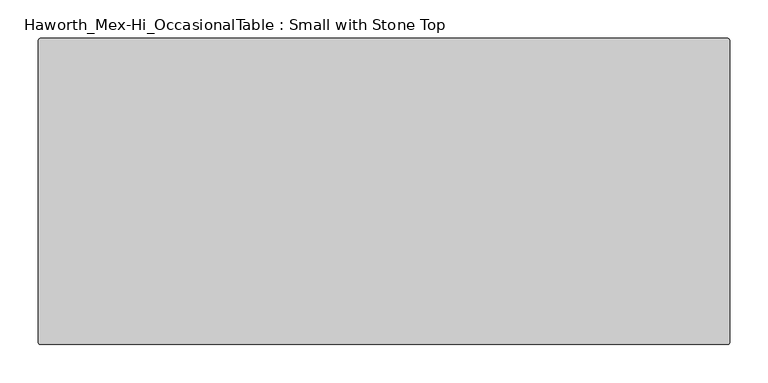
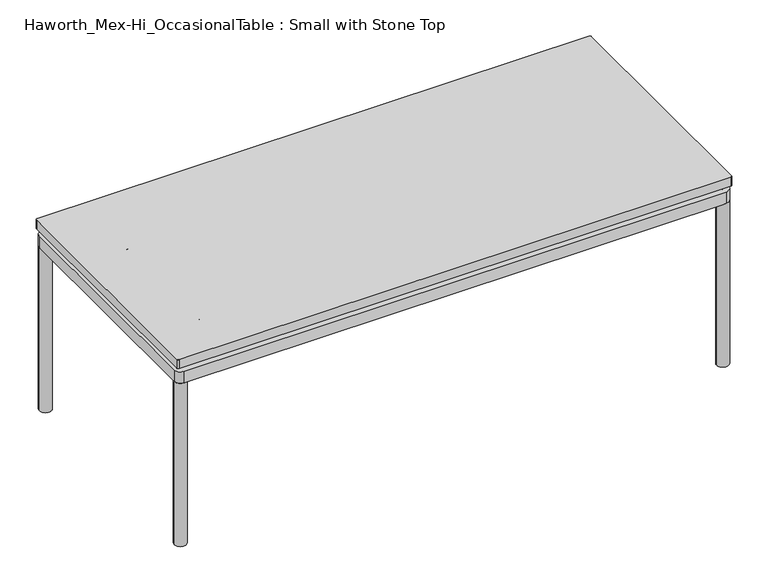
"""IFC4 building model written with IfcOpenShell, lengths in millimetres: furniture geometry, Haworth_Mex-Hi_OccasionalTable : Small with Stone Top."""

from ifc_helpers import new_model, si_unit, point, frame, frame_2d, origin, place, context, project, spatial, polyline, circle_curve, trimmed, segment, composite_curve, outline, extrude, source, transform, mapped, element, save
from ifc_brep_helpers import plane_surface, cylinder_surface, revolved_surface, advanced_brep


def haworth_mex_hi_occasionaltable_small_with_stone_top_e584b05a(model_context):
    return source(origin(), model_context, "Body", "SolidModel", [
        extrude(outline(composite_curve([segment(trimmed(circle_curve(frame_2d((291.5947118, -95.25)), 2.54), [point((291.5947118, -92.71))], [point((294.1347118, -95.25))], False, "CARTESIAN"), True, "CONTINUOUS"), segment(polyline([(294.1347118, -95.25), (294.1347118, -488.95)]), True, "CONTINUOUS"), segment(trimmed(circle_curve(frame_2d((291.5947118, -488.95)), 2.54), [point((294.1347118, -488.95))], [point((291.5947118, -491.49))], False, "CARTESIAN"), True, "CONTINUOUS"), segment(polyline([(291.5947118, -491.49), (-602.4852882, -491.49)]), True, "CONTINUOUS"), segment(trimmed(circle_curve(frame_2d((-602.4852882, -488.95)), 2.54), [point((-602.4852882, -491.49))], [point((-605.0252882, -488.95))], False, "CARTESIAN"), True, "CONTINUOUS"), segment(polyline([(-605.0252882, -488.95), (-605.0252882, -95.25)]), True, "CONTINUOUS"), segment(trimmed(circle_curve(frame_2d((-602.4852882, -95.25)), 2.54), [point((-605.0252882, -95.25))], [point((-602.4852882, -92.71))], False, "CARTESIAN"), True, "CONTINUOUS"), segment(polyline([(-602.4852882, -92.71), (291.5947118, -92.71)]), True, "CONTINUOUS")], self_intersect=False)), frame((0.0, 0.0, 307.0856929), z_axis=(0.0, 0.0, 1.0), x_axis=(1.0, 0.0, 0.0)), (0.0, 0.0, 1.0), 15.2403071),
        extrude(outline(composite_curve([segment(trimmed(circle_curve(frame_2d((-593.0838099, -104.6599879)), 1.9413078), [point((-595.0251177, -104.6599879))], [point((-593.0838099, -102.7186802))], False, "CARTESIAN"), True, "CONTINUOUS"), segment(polyline([(-593.0838099, -102.7186802), (282.1309315, -102.7186802)]), True, "CONTINUOUS"), segment(trimmed(circle_curve(frame_2d((282.1309315, -104.7258089)), 2.0071288), [point((282.1309315, -102.7186802))], [point((284.1380603, -104.7258089))], False, "CARTESIAN"), True, "CONTINUOUS"), segment(polyline([(284.1380603, -104.7258089), (284.1380603, -479.5002885)]), True, "CONTINUOUS"), segment(trimmed(circle_curve(frame_2d((282.1363356, -479.5002885)), 2.0017246), [point((284.1380603, -479.5002885))], [point((282.1363356, -481.5020131))], False, "CARTESIAN"), True, "CONTINUOUS"), segment(polyline([(282.1363356, -481.5020131), (-595.0251177, -481.5020131), (-595.0251177, -104.6599879)]), True, "CONTINUOUS")], self_intersect=False)), frame((0.0, 0.0, 299.6294223), z_axis=(0.0, 0.0, 1.0), x_axis=(1.0, 0.0, 0.0)), (0.0, 0.0, 1.0), 5.002811),
        advanced_brep(
        [(267.1276141, -117.6971264, 299.6294223), (-578.0202636, -117.6971264, 299.6294223), (-580.0466715, -119.7235343, 299.6294223), (-580.0466715, -464.4689461, 299.6294223), (-577.992051, -466.5235669, 299.6294223), (267.1579775, -466.5237486, 299.6294223), (269.1599045, -464.5218208, 299.6294223), (269.1596141, -119.7291258, 299.6294223), (-565.0231699, -451.5072233, 299.6294223), (-565.0231699, -132.7136516, 299.6294223), (-532.7626081, -132.7136631, 299.6294223), (-532.7626081, -451.5072042, 299.6294223), (-502.5025365, -132.7136738, 299.6294223), (182.0869602, -132.7139167, 299.6294223), (182.0869602, -451.5072042, 299.6294223), (-502.5025365, -451.5072039, 299.6294223), (254.1361125, -451.506969, 299.6294223), (212.3470318, -451.506982, 299.6294223), (212.3470318, -132.7136631, 299.6294223), (254.1358218, -132.7139423, 299.6294223), (267.1276141, -117.6971264, 279.6326959), (269.1596141, -119.7291258, 279.6326959), (269.1599045, -464.5218208, 279.6326959), (267.1579775, -466.5237486, 279.6326959), (-577.992051, -466.5235669, 279.6326959), (-580.0466715, -464.4689461, 279.6326959), (-580.0466715, -119.7235343, 279.6326959), (-578.0202636, -117.6971264, 279.6326959), (254.1361125, -451.506969, 279.6326959), (254.1358218, -132.7139423, 279.6326959), (212.3470318, -132.7139275, 279.6326959), (212.3470318, -451.5072042, 279.6326959), (-565.0231699, -451.5072233, 279.6326959), (-532.7626081, -451.5072133, 279.6326959), (-532.7626081, -132.7136631, 279.6326959), (-565.0231699, -132.7136516, 279.6326959), (182.0869602, -132.7139167, 279.6326959), (-502.5025365, -132.7136738, 279.6326959), (-502.5025365, -451.5072042, 279.6326959), (182.0869602, -451.5069914, 279.6326959)],
        [
            (0, 1),
            (1, 2, circle_curve(frame((-578.0202636, -119.7235343, 299.6294223), z_axis=(0.0, 0.0, 1.0), x_axis=(1.0, 0.0, 0.0)), 2.0264079)),
            (2, 3),
            (3, 4, circle_curve(frame((-577.9920507, -464.4689461, 299.6294223), z_axis=(0.0, 0.0, 1.0), x_axis=(1.0, 0.0, 0.0)), 2.0546208)),
            (4, 5),
            (5, 6, circle_curve(frame((267.1579772, -464.5218214, 299.6294223), z_axis=(0.0, 0.0, 1.0), x_axis=(1.0, 0.0, 0.0)), 2.0019272)),
            (6, 7),
            (7, 0, circle_curve(frame((267.1276141, -119.7291264, 299.6294223), z_axis=(0.0, 0.0, 1.0), x_axis=(1.0, 0.0, 0.0)), 2.032)),
            (8, 9),
            (9, 10),
            (10, 11),
            (11, 8),
            (12, 13),
            (13, 14),
            (14, 15),
            (15, 12),
            (16, 17),
            (17, 18),
            (18, 19),
            (19, 16),
            (20, 21, circle_curve(frame((267.1276141, -119.7291264, 279.6326959), z_axis=(0.0, 0.0, -1.0), x_axis=(1.0, 0.0, 0.0)), 2.032)),
            (21, 22),
            (22, 23, circle_curve(frame((267.1579772, -464.5218214, 279.6326959), z_axis=(0.0, 0.0, -1.0), x_axis=(1.0, 0.0, 0.0)), 2.0019272)),
            (23, 24),
            (24, 25, circle_curve(frame((-577.9920507, -464.4689461, 279.6326959), z_axis=(0.0, 0.0, -1.0), x_axis=(1.0, 0.0, 0.0)), 2.0546208)),
            (25, 26),
            (26, 27, circle_curve(frame((-578.0202636, -119.7235343, 279.6326959), z_axis=(0.0, 0.0, -1.0), x_axis=(1.0, 0.0, 0.0)), 2.0264079)),
            (27, 20),
            (28, 29),
            (29, 30),
            (30, 31),
            (31, 28),
            (32, 33),
            (33, 34),
            (34, 35),
            (35, 32),
            (36, 37),
            (37, 38),
            (38, 39),
            (39, 36),
            (0, 20),
            (27, 1),
            (26, 2),
            (25, 3),
            (24, 4),
            (23, 5),
            (22, 6),
            (21, 7),
            (8, 32),
            (35, 9),
            (12, 37),
            (36, 13),
            (34, 10),
            (29, 19),
            (18, 30),
            (28, 16),
            (14, 39),
            (38, 15),
            (11, 33),
            (31, 17),
        ],
        [
            plane_surface(frame((-578.0202636, -117.6971264, 299.6294223), z_axis=(0.0, 0.0, 1.0), x_axis=(-1.0, 0.0, 0.0))),
            plane_surface(frame((-578.0202636, -117.6971264, 279.6326959), z_axis=(0.0, 0.0, -1.0), x_axis=(1.0, 0.0, 0.0))),
            plane_surface(frame((267.1276141, -117.6971264, 299.6294223), z_axis=(0.0, 1.0, 0.0), x_axis=(0.0, 0.0, -1.0))),
            cylinder_surface(frame((-578.0202636, -119.7235343, 279.6326959), z_axis=(0.0, 0.0, 1.0), x_axis=(1.0, 0.0, 0.0)), 2.0264079),
            plane_surface(frame((-580.0466715, -119.7235343, 299.6294223), z_axis=(-1.0, 0.0, 0.0), x_axis=(0.0, 0.0, -1.0))),
            cylinder_surface(frame((-577.9920507, -464.4689461, 279.6326959), z_axis=(0.0, 0.0, 1.0), x_axis=(1.0, 0.0, 0.0)), 2.0546208),
            plane_surface(frame((-577.992051, -466.5235669, 299.6294223), z_axis=(-2.1495107938605697e-07, -0.9999999999999769, 0.0), x_axis=(0.0, 0.0, -1.0))),
            cylinder_surface(frame((267.1579772, -464.5218214, 279.6326959), z_axis=(0.0, 0.0, 1.0), x_axis=(1.0, 0.0, 0.0)), 2.0019272),
            plane_surface(frame((269.1599045, -464.5218208, 299.6294223), z_axis=(0.9999999999996454, 8.421789670458425e-07, 0.0), x_axis=(0.0, 0.0, -1.0))),
            cylinder_surface(frame((267.1276141, -119.7291264, 279.6326959), z_axis=(0.0, 0.0, 1.0), x_axis=(1.0, 0.0, 0.0)), 2.032),
            plane_surface(frame((-565.0231699, -451.5072233, 299.6294223), z_axis=(1.0, 0.0, 0.0), x_axis=(0.0, 0.0, -1.0))),
            plane_surface(frame((-565.0231699, -132.7136516, 299.6294223), z_axis=(-3.5485165641990404e-07, -0.999999999999937, 0.0), x_axis=(0.0, 0.0, -1.0))),
            plane_surface(frame((254.1358218, -132.7139423, 299.6294223), z_axis=(-0.9999999999995843, -9.118139700497618e-07, 0.0), x_axis=(0.0, 0.0, -1.0))),
            plane_surface(frame((254.1361125, -451.506969, 299.6294223), z_axis=(-3.104950969437019e-07, 0.9999999999999518, 0.0), x_axis=(0.0, 0.0, -1.0))),
            plane_surface(frame((-532.7626081, -132.7136631, 299.6294223), z_axis=(-1.0, 0.0, 0.0), x_axis=(0.0, 0.0, -1.0))),
            plane_surface(frame((-502.5025365, -451.5072042, 299.6294223), z_axis=(1.0, 0.0, 0.0), x_axis=(0.0, 0.0, -1.0))),
            plane_surface(frame((182.0869602, -132.7136631, 299.6294223), z_axis=(-1.0, 0.0, 0.0), x_axis=(0.0, 0.0, -1.0))),
            plane_surface(frame((212.3470318, -451.5072042, 299.6294223), z_axis=(1.0, 0.0, 0.0), x_axis=(0.0, 0.0, -1.0))),
        ],
        [
            (0, [[1, 2, 3, 4, 5, 6, 7, 8], [9, 10, 11, 12], [13, 14, 15, 16], [17, 18, 19, 20]]),
            (1, [[21, 22, 23, 24, 25, 26, 27, 28], [29, 30, 31, 32], [33, 34, 35, 36], [37, 38, 39, 40]]),
            (2, [[-1, 41, -28, 42]]),
            (3, [[-2, -42, -27, 43]]),
            (4, [[-3, -43, -26, 44]]),
            (5, [[-4, -44, -25, 45]]),
            (6, [[-5, -45, -24, 46]]),
            (7, [[-6, -46, -23, 47]]),
            (8, [[-7, -47, -22, 48]]),
            (9, [[-8, -48, -21, -41]]),
            (10, [[-9, 49, -36, 50]]),
            (11, [[-13, 51, -37, 52]]),
            (11, [[-50, -35, 53, -10]]),
            (11, [[54, -19, 55, -30]]),
            (12, [[-20, -54, -29, 56]]),
            (13, [[-15, 57, -39, 58]]),
            (13, [[-49, -12, 59, -33]]),
            (13, [[-56, -32, 60, -17]]),
            (14, [[-11, -53, -34, -59]]),
            (15, [[-16, -58, -38, -51]]),
            (16, [[-14, -52, -40, -57]]),
            (17, [[-18, -60, -31, -55]]),
        ],
    ),
        extrude(outline(composite_curve([segment(trimmed(circle_curve(frame_2d((-534.0870283, -218.2183995)), 0.8405923), [point((-533.7147282, -218.9720493))], [point((-534.7862746, -218.6849293))], False, "CARTESIAN"), True, "CONTINUOUS"), segment(trimmed(circle_curve(frame_2d((-515.5508304, -202.6946527)), 25.0138214), [point((-534.7862746, -218.6849293))], [point((-539.0165383, -211.3578977))], False, "CARTESIAN"), True, "CONTINUOUS"), segment(trimmed(circle_curve(frame_2d((-538.0414872, -211.046606)), 1.0235365), [point((-539.0165383, -211.3578977))], [point((-538.6155102, -210.1991836))], False, "CARTESIAN"), True, "CONTINUOUS"), segment(trimmed(circle_curve(frame_2d((-558.9358484, -180.2005415)), 36.2330605), [point((-538.6155102, -210.1991836))], [point((-522.7960931, -182.7991496))], True, "CARTESIAN"), True, "CONTINUOUS"), segment(trimmed(circle_curve(frame_2d((-521.7765383, -182.8724601)), 1.0221871), [point((-522.7960931, -182.7991496))], [point((-521.9854206, -181.8718429))], False, "CARTESIAN"), True, "CONTINUOUS"), segment(trimmed(circle_curve(frame_2d((-517.7628586, -202.0993497)), 20.6635442), [point((-521.9854206, -181.8718429))], [point((-513.5402966, -181.8718429))], False, "CARTESIAN"), True, "CONTINUOUS"), segment(trimmed(circle_curve(frame_2d((-513.7492648, -182.872872)), 1.0226079), [point((-513.5402966, -181.8718429))], [point((-512.7292996, -182.7994026))], False, "CARTESIAN"), True, "CONTINUOUS"), segment(trimmed(circle_curve(frame_2d((-477.3402021, -180.6341833)), 35.4552732), [point((-512.7292996, -182.7994026))], [point((-496.9098857, -210.1994311))], True, "CARTESIAN"), True, "CONTINUOUS"), segment(trimmed(circle_curve(frame_2d((-497.4226157, -211.0249738)), 0.971809), [point((-496.9098857, -210.1994311))], [point((-496.5128177, -211.366559))], False, "CARTESIAN"), True, "CONTINUOUS"), segment(trimmed(circle_curve(frame_2d((-520.6585547, -202.3010012)), 25.79149), [point((-496.5128177, -211.366559))], [point((-500.7346829, -218.6790439))], False, "CARTESIAN"), True, "CONTINUOUS"), segment(trimmed(circle_curve(frame_2d((-501.4793666, -218.0668907)), 0.9639946), [point((-500.7346829, -218.6790439))], [point((-501.810989, -218.9720493))], False, "CARTESIAN"), True, "CONTINUOUS"), segment(trimmed(circle_curve(frame_2d((-517.7628586, -251.2635341)), 36.0166924), [point((-501.810989, -218.9720493))], [point((-533.7147282, -218.9720493))], True, "CARTESIAN"), True, "CONTINUOUS")], self_intersect=False)), frame((0.0, 0.0, 262.0888903), z_axis=(0.0, 0.0, 1.0), x_axis=(1.0, 0.0, 0.0)), (0.0, 0.0, 1.0), 9.7910462),
        advanced_brep(
        [(-514.9911897, -203.9720928, 306.9117903), (-520.5342368, -203.9720928, 306.9117903), (-513.770496, -203.9720928, 305.6617757), (-521.7549305, -203.9720928, 305.6617757)],
        [
            (0, 1, circle_curve(frame((-517.7627133, -203.9720928, 306.9117903), z_axis=(0.0, 0.0, 1.0), x_axis=(1.0, 0.0, 0.0)), 2.7715235)),
            (1, 0, circle_curve(frame((-517.7627133, -203.9720928, 306.9117903), z_axis=(0.0, 0.0, 1.0), x_axis=(-1.0, 0.0, 0.0)), 2.7715235)),
            (2, 3, circle_curve(frame((-517.7627133, -203.9720928, 305.6617757), z_axis=(0.0, 0.0, -1.0), x_axis=(-1.0, 0.0, 0.0)), 3.9922173)),
            (3, 2, circle_curve(frame((-517.7627133, -203.9720928, 305.6617757), z_axis=(0.0, 0.0, -1.0), x_axis=(1.0, 0.0, 0.0)), 3.9922173)),
            (2, 0),
            (1, 3),
        ],
        [
            plane_surface(frame((-517.7627133, -203.9720928, 306.9117903), z_axis=(0.0, 0.0, 1.0), x_axis=(0.0, 1.0, 0.0))),
            plane_surface(frame((-517.7627133, -203.9720928, 305.6617757), z_axis=(0.0, 0.0, -1.0), x_axis=(0.0, 1.0, 0.0))),
            revolved_surface(polyline([(-520.5342367626376, -203.9720928, 306.9117903), (-521.7549305, -203.9720928, 305.6617757)]), (-517.7627133, -203.9720928, 309.7498853), (0.0, 0.0, -1.0)),
            revolved_surface(polyline([(-514.9911897679392, -203.9720928, 306.9117903), (-513.770496, -203.9720928, 305.6617757)]), (-517.7627133, -203.9720928, 309.7498853), (0.0, 0.0, -1.0)),
        ],
        [
            (0, [[1, 2]]),
            (1, [[3, 4]]),
            (2, [[-3, 5, -2, 6]]),
            (3, [[-4, -6, -1, -5]]),
        ],
    ),
        extrude(outline(composite_curve([segment(trimmed(circle_curve(frame_2d((-517.7627133, -203.9720928)), 3.9922173), [point((-513.770496, -203.9720928))], [point((-521.7549305, -203.9720928))], False, "CARTESIAN"), True, "CONTINUOUS"), segment(trimmed(circle_curve(frame_2d((-517.7627133, -203.9720928)), 3.9922173), [point((-521.7549305, -203.9720928))], [point((-513.770496, -203.9720928))], False, "CARTESIAN"), True, "CONTINUOUS")], self_intersect=False)), frame((0.0, 0.0, 267.0639864), z_axis=(0.0, 0.0, 1.0), x_axis=(1.0, 0.0, 0.0)), (0.0, 0.0, 1.0), 38.5901772),
        extrude(outline(composite_curve([segment(trimmed(circle_curve(frame_2d((-517.7627133, -203.9720928)), 9.4525726), [point((-508.3101406, -203.9720928))], [point((-527.2152859, -203.9720928))], False, "CARTESIAN"), True, "CONTINUOUS"), segment(trimmed(circle_curve(frame_2d((-517.7627133, -203.9720928)), 9.4525726), [point((-527.2152859, -203.9720928))], [point((-508.3101406, -203.9720928))], False, "CARTESIAN"), True, "CONTINUOUS")], self_intersect=False)), frame((0.0, 0.0, 296.9633605), z_axis=(0.0, 0.0, 1.0), x_axis=(1.0, 0.0, 0.0)), (0.0, 0.0, 1.0), 5.0787766),
        extrude(outline(composite_curve([segment(trimmed(circle_curve(frame_2d((-517.7627133, -203.9720928)), 9.4525726), [point((-508.3101406, -203.9720928))], [point((-527.2152859, -203.9720928))], False, "CARTESIAN"), True, "CONTINUOUS"), segment(trimmed(circle_curve(frame_2d((-517.7627133, -203.9720928)), 9.4525726), [point((-527.2152859, -203.9720928))], [point((-508.3101406, -203.9720928))], False, "CARTESIAN"), True, "CONTINUOUS")], self_intersect=False)), frame((0.0, 0.0, 271.8799365), z_axis=(0.0, 0.0, 1.0), x_axis=(1.0, 0.0, 0.0)), (0.0, 0.0, 1.0), 5.0787766),
        extrude(outline(composite_curve([segment(trimmed(circle_curve(frame_2d((-534.0870283, -418.3687649)), 0.8405923), [point((-533.7147282, -419.1224147))], [point((-534.7862746, -418.8352947))], False, "CARTESIAN"), True, "CONTINUOUS"), segment(trimmed(circle_curve(frame_2d((-515.5508304, -402.8450181)), 25.0138214), [point((-534.7862746, -418.8352947))], [point((-539.0165383, -411.5082631))], False, "CARTESIAN"), True, "CONTINUOUS"), segment(trimmed(circle_curve(frame_2d((-538.0414872, -411.1969714)), 1.0235365), [point((-539.0165383, -411.5082631))], [point((-538.6155102, -410.349549))], False, "CARTESIAN"), True, "CONTINUOUS"), segment(trimmed(circle_curve(frame_2d((-558.9358484, -380.3509069)), 36.2330605), [point((-538.6155102, -410.349549))], [point((-522.7960931, -382.949515))], True, "CARTESIAN"), True, "CONTINUOUS"), segment(trimmed(circle_curve(frame_2d((-521.7765383, -383.0228255)), 1.0221871), [point((-522.7960931, -382.949515))], [point((-521.9854206, -382.0222083))], False, "CARTESIAN"), True, "CONTINUOUS"), segment(trimmed(circle_curve(frame_2d((-517.7628586, -402.2497151)), 20.6635442), [point((-521.9854206, -382.0222083))], [point((-513.5402966, -382.0222083))], False, "CARTESIAN"), True, "CONTINUOUS"), segment(trimmed(circle_curve(frame_2d((-513.7492648, -383.0232374)), 1.0226079), [point((-513.5402966, -382.0222083))], [point((-512.7292996, -382.949768))], False, "CARTESIAN"), True, "CONTINUOUS"), segment(trimmed(circle_curve(frame_2d((-477.3402021, -380.7845487)), 35.4552732), [point((-512.7292996, -382.949768))], [point((-496.9098857, -410.3497965))], True, "CARTESIAN"), True, "CONTINUOUS"), segment(trimmed(circle_curve(frame_2d((-497.4226157, -411.1753392)), 0.971809), [point((-496.9098857, -410.3497965))], [point((-496.5128177, -411.5169244))], False, "CARTESIAN"), True, "CONTINUOUS"), segment(trimmed(circle_curve(frame_2d((-520.6585547, -402.4513666)), 25.79149), [point((-496.5128177, -411.5169244))], [point((-500.7346829, -418.8294093))], False, "CARTESIAN"), True, "CONTINUOUS"), segment(trimmed(circle_curve(frame_2d((-501.4793666, -418.2172561)), 0.9639946), [point((-500.7346829, -418.8294093))], [point((-501.810989, -419.1224147))], False, "CARTESIAN"), True, "CONTINUOUS"), segment(trimmed(circle_curve(frame_2d((-517.7628586, -451.4138995)), 36.0166924), [point((-501.810989, -419.1224147))], [point((-533.7147282, -419.1224147))], True, "CARTESIAN"), True, "CONTINUOUS")], self_intersect=False)), frame((0.0, 0.0, 262.0888903), z_axis=(0.0, 0.0, 1.0), x_axis=(1.0, 0.0, 0.0)), (0.0, 0.0, 1.0), 9.7910462),
        advanced_brep(
        [(-514.9911897, -404.1224582, 306.9117903), (-520.5342368, -404.1224582, 306.9117903), (-513.770496, -404.1224582, 305.6617757), (-521.7549305, -404.1224582, 305.6617757)],
        [
            (0, 1, circle_curve(frame((-517.7627133, -404.1224582, 306.9117903), z_axis=(0.0, 0.0, 1.0), x_axis=(1.0, 0.0, 0.0)), 2.7715235)),
            (1, 0, circle_curve(frame((-517.7627133, -404.1224582, 306.9117903), z_axis=(0.0, 0.0, 1.0), x_axis=(-1.0, 0.0, 0.0)), 2.7715235)),
            (2, 3, circle_curve(frame((-517.7627133, -404.1224582, 305.6617757), z_axis=(0.0, 0.0, -1.0), x_axis=(-1.0, 0.0, 0.0)), 3.9922173)),
            (3, 2, circle_curve(frame((-517.7627133, -404.1224582, 305.6617757), z_axis=(0.0, 0.0, -1.0), x_axis=(1.0, 0.0, 0.0)), 3.9922173)),
            (2, 0),
            (1, 3),
        ],
        [
            plane_surface(frame((-517.7627133, -404.1224582, 306.9117903), z_axis=(0.0, 0.0, 1.0), x_axis=(0.0, 1.0, 0.0))),
            plane_surface(frame((-517.7627133, -404.1224582, 305.6617757), z_axis=(0.0, 0.0, -1.0), x_axis=(0.0, 1.0, 0.0))),
            revolved_surface(polyline([(-520.5342367626376, -404.1224582, 306.9117903), (-521.7549305, -404.1224582, 305.6617757)]), (-517.7627133, -404.1224582, 309.7498853), (0.0, 0.0, -1.0)),
            revolved_surface(polyline([(-514.9911897679392, -404.1224582, 306.9117903), (-513.770496, -404.1224582, 305.6617757)]), (-517.7627133, -404.1224582, 309.7498853), (0.0, 0.0, -1.0)),
        ],
        [
            (0, [[1, 2]]),
            (1, [[3, 4]]),
            (2, [[-3, 5, -2, 6]]),
            (3, [[-4, -6, -1, -5]]),
        ],
    ),
        extrude(outline(composite_curve([segment(trimmed(circle_curve(frame_2d((-517.7627133, -404.1224582)), 3.9922173), [point((-513.770496, -404.1224582))], [point((-521.7549305, -404.1224582))], False, "CARTESIAN"), True, "CONTINUOUS"), segment(trimmed(circle_curve(frame_2d((-517.7627133, -404.1224582)), 3.9922173), [point((-521.7549305, -404.1224582))], [point((-513.770496, -404.1224582))], False, "CARTESIAN"), True, "CONTINUOUS")], self_intersect=False)), frame((0.0, 0.0, 267.0639864), z_axis=(0.0, 0.0, 1.0), x_axis=(1.0, 0.0, 0.0)), (0.0, 0.0, 1.0), 38.5901772),
        extrude(outline(composite_curve([segment(trimmed(circle_curve(frame_2d((-517.7627133, -404.1224582)), 9.4525726), [point((-508.3101406, -404.1224582))], [point((-527.2152859, -404.1224582))], False, "CARTESIAN"), True, "CONTINUOUS"), segment(trimmed(circle_curve(frame_2d((-517.7627133, -404.1224582)), 9.4525726), [point((-527.2152859, -404.1224582))], [point((-508.3101406, -404.1224582))], False, "CARTESIAN"), True, "CONTINUOUS")], self_intersect=False)), frame((0.0, 0.0, 296.9633605), z_axis=(0.0, 0.0, 1.0), x_axis=(1.0, 0.0, 0.0)), (0.0, 0.0, 1.0), 5.0787766),
        extrude(outline(composite_curve([segment(trimmed(circle_curve(frame_2d((-517.7627133, -404.1224582)), 9.4525726), [point((-508.3101406, -404.1224582))], [point((-527.2152859, -404.1224582))], False, "CARTESIAN"), True, "CONTINUOUS"), segment(trimmed(circle_curve(frame_2d((-517.7627133, -404.1224582)), 9.4525726), [point((-527.2152859, -404.1224582))], [point((-508.3101406, -404.1224582))], False, "CARTESIAN"), True, "CONTINUOUS")], self_intersect=False)), frame((0.0, 0.0, 271.8799365), z_axis=(0.0, 0.0, 1.0), x_axis=(1.0, 0.0, 0.0)), (0.0, 0.0, 1.0), 5.0787766),
        extrude(outline(composite_curve([segment(trimmed(circle_curve(frame_2d((197.3472823, -451.4138995)), 36.0166924), [point((213.2991519, -419.1224147))], [point((181.3954127, -419.1224147))], True, "CARTESIAN"), True, "CONTINUOUS"), segment(trimmed(circle_curve(frame_2d((181.0637903, -418.2172561)), 0.9639946), [point((181.3954127, -419.1224147))], [point((180.3191066, -418.8294093))], False, "CARTESIAN"), True, "CONTINUOUS"), segment(trimmed(circle_curve(frame_2d((200.2429784, -402.4513666)), 25.79149), [point((180.3191066, -418.8294093))], [point((176.0972414, -411.5169244))], False, "CARTESIAN"), True, "CONTINUOUS"), segment(trimmed(circle_curve(frame_2d((177.0070394, -411.1753392)), 0.971809), [point((176.0972414, -411.5169244))], [point((176.4943094, -410.3497965))], False, "CARTESIAN"), True, "CONTINUOUS"), segment(trimmed(circle_curve(frame_2d((156.9246258, -380.7845487)), 35.4552732), [point((176.4943094, -410.3497965))], [point((192.3137233, -382.949768))], True, "CARTESIAN"), True, "CONTINUOUS"), segment(trimmed(circle_curve(frame_2d((193.3336885, -383.0232374)), 1.0226079), [point((192.3137233, -382.949768))], [point((193.1247203, -382.0222083))], False, "CARTESIAN"), True, "CONTINUOUS"), segment(trimmed(circle_curve(frame_2d((197.3472823, -402.2497151)), 20.6635442), [point((193.1247203, -382.0222083))], [point((201.5698443, -382.0222083))], False, "CARTESIAN"), True, "CONTINUOUS"), segment(trimmed(circle_curve(frame_2d((201.360962, -383.0228255)), 1.0221871), [point((201.5698443, -382.0222083))], [point((202.3805168, -382.949515))], False, "CARTESIAN"), True, "CONTINUOUS"), segment(trimmed(circle_curve(frame_2d((238.5202721, -380.3509069)), 36.2330605), [point((202.3805168, -382.949515))], [point((218.1999339, -410.349549))], True, "CARTESIAN"), True, "CONTINUOUS"), segment(trimmed(circle_curve(frame_2d((217.6259109, -411.1969714)), 1.0235365), [point((218.1999339, -410.349549))], [point((218.600962, -411.5082631))], False, "CARTESIAN"), True, "CONTINUOUS"), segment(trimmed(circle_curve(frame_2d((195.135254, -402.8450181)), 25.0138214), [point((218.600962, -411.5082631))], [point((214.3706983, -418.8352947))], False, "CARTESIAN"), True, "CONTINUOUS"), segment(trimmed(circle_curve(frame_2d((213.671452, -418.3687649)), 0.8405923), [point((214.3706983, -418.8352947))], [point((213.2991519, -419.1224147))], False, "CARTESIAN"), True, "CONTINUOUS")], self_intersect=False)), frame((0.0, 0.0, 262.0888903), z_axis=(0.0, 0.0, 1.0), x_axis=(1.0, 0.0, 0.0)), (0.0, 0.0, 1.0), 9.7910462),
        advanced_brep(
        [(194.5756134, -404.1224582, 306.9117903), (200.1186605, -404.1224582, 306.9117903), (193.3549197, -404.1224582, 305.6617757), (201.3393542, -404.1224582, 305.6617757)],
        [
            (0, 1, circle_curve(frame((197.347137, -404.1224582, 306.9117903), z_axis=(0.0, 0.0, 1.0), x_axis=(-1.0, 0.0, 0.0)), 2.7715235)),
            (1, 0, circle_curve(frame((197.347137, -404.1224582, 306.9117903), z_axis=(0.0, 0.0, 1.0), x_axis=(1.0, 0.0, 0.0)), 2.7715235)),
            (2, 3, circle_curve(frame((197.347137, -404.1224582, 305.6617757), z_axis=(0.0, 0.0, -1.0), x_axis=(1.0, 0.0, 0.0)), 3.9922173)),
            (3, 2, circle_curve(frame((197.347137, -404.1224582, 305.6617757), z_axis=(0.0, 0.0, -1.0), x_axis=(-1.0, 0.0, 0.0)), 3.9922173)),
            (3, 1),
            (0, 2),
        ],
        [
            plane_surface(frame((197.347137, -404.1224582, 306.9117903), z_axis=(0.0, 0.0, 1.0), x_axis=(0.0, -1.0, 0.0))),
            plane_surface(frame((197.347137, -404.1224582, 305.6617757), z_axis=(0.0, 0.0, -1.0), x_axis=(0.0, -1.0, 0.0))),
            revolved_surface(polyline([(194.57561346793923, -404.1224582, 306.9117903), (193.3549197, -404.1224582, 305.6617757)]), (197.347137, -404.1224582, 309.7498853), (0.0, 0.0, -1.0)),
            revolved_surface(polyline([(200.11866046263762, -404.1224582, 306.9117903), (201.3393542, -404.1224582, 305.6617757)]), (197.347137, -404.1224582, 309.7498853), (0.0, 0.0, -1.0)),
        ],
        [
            (0, [[1, 2]]),
            (1, [[3, 4]]),
            (2, [[-4, 5, -1, 6]]),
            (3, [[-3, -6, -2, -5]]),
        ],
    ),
        extrude(outline(composite_curve([segment(trimmed(circle_curve(frame_2d((197.347137, -404.1224582)), 3.9922173), [point((193.3549197, -404.1224582))], [point((201.3393542, -404.1224582))], False, "CARTESIAN"), True, "CONTINUOUS"), segment(trimmed(circle_curve(frame_2d((197.347137, -404.1224582)), 3.9922173), [point((201.3393542, -404.1224582))], [point((193.3549197, -404.1224582))], False, "CARTESIAN"), True, "CONTINUOUS")], self_intersect=False)), frame((0.0, 0.0, 267.0639864), z_axis=(0.0, 0.0, 1.0), x_axis=(1.0, 0.0, 0.0)), (0.0, 0.0, 1.0), 38.5901772),
        extrude(outline(composite_curve([segment(trimmed(circle_curve(frame_2d((197.347137, -404.1224582)), 9.4525726), [point((187.8945643, -404.1224582))], [point((206.7997096, -404.1224582))], False, "CARTESIAN"), True, "CONTINUOUS"), segment(trimmed(circle_curve(frame_2d((197.347137, -404.1224582)), 9.4525726), [point((206.7997096, -404.1224582))], [point((187.8945643, -404.1224582))], False, "CARTESIAN"), True, "CONTINUOUS")], self_intersect=False)), frame((0.0, 0.0, 296.9633605), z_axis=(0.0, 0.0, 1.0), x_axis=(1.0, 0.0, 0.0)), (0.0, 0.0, 1.0), 5.0787766),
        extrude(outline(composite_curve([segment(trimmed(circle_curve(frame_2d((197.347137, -404.1224582)), 9.4525726), [point((187.8945643, -404.1224582))], [point((206.7997096, -404.1224582))], False, "CARTESIAN"), True, "CONTINUOUS"), segment(trimmed(circle_curve(frame_2d((197.347137, -404.1224582)), 9.4525726), [point((206.7997096, -404.1224582))], [point((187.8945643, -404.1224582))], False, "CARTESIAN"), True, "CONTINUOUS")], self_intersect=False)), frame((0.0, 0.0, 271.8799365), z_axis=(0.0, 0.0, 1.0), x_axis=(1.0, 0.0, 0.0)), (0.0, 0.0, 1.0), 5.0787766),
        extrude(outline(composite_curve([segment(trimmed(circle_curve(frame_2d((197.3472823, -251.2635341)), 36.0166924), [point((213.2991519, -218.9720493))], [point((181.3954127, -218.9720493))], True, "CARTESIAN"), True, "CONTINUOUS"), segment(trimmed(circle_curve(frame_2d((181.0637903, -218.0668907)), 0.9639946), [point((181.3954127, -218.9720493))], [point((180.3191066, -218.6790439))], False, "CARTESIAN"), True, "CONTINUOUS"), segment(trimmed(circle_curve(frame_2d((200.2429784, -202.3010012)), 25.79149), [point((180.3191066, -218.6790439))], [point((176.0972414, -211.366559))], False, "CARTESIAN"), True, "CONTINUOUS"), segment(trimmed(circle_curve(frame_2d((177.0070394, -211.0249738)), 0.971809), [point((176.0972414, -211.366559))], [point((176.4943094, -210.1994311))], False, "CARTESIAN"), True, "CONTINUOUS"), segment(trimmed(circle_curve(frame_2d((156.9246258, -180.6341833)), 35.4552732), [point((176.4943094, -210.1994311))], [point((192.3137233, -182.7994026))], True, "CARTESIAN"), True, "CONTINUOUS"), segment(trimmed(circle_curve(frame_2d((193.3336885, -182.872872)), 1.0226079), [point((192.3137233, -182.7994026))], [point((193.1247203, -181.8718429))], False, "CARTESIAN"), True, "CONTINUOUS"), segment(trimmed(circle_curve(frame_2d((197.3472823, -202.0993497)), 20.6635442), [point((193.1247203, -181.8718429))], [point((201.5698443, -181.8718429))], False, "CARTESIAN"), True, "CONTINUOUS"), segment(trimmed(circle_curve(frame_2d((201.360962, -182.8724601)), 1.0221871), [point((201.5698443, -181.8718429))], [point((202.3805168, -182.7991496))], False, "CARTESIAN"), True, "CONTINUOUS"), segment(trimmed(circle_curve(frame_2d((238.5202721, -180.2005415)), 36.2330605), [point((202.3805168, -182.7991496))], [point((218.1999339, -210.1991836))], True, "CARTESIAN"), True, "CONTINUOUS"), segment(trimmed(circle_curve(frame_2d((217.6259109, -211.046606)), 1.0235365), [point((218.1999339, -210.1991836))], [point((218.600962, -211.3578977))], False, "CARTESIAN"), True, "CONTINUOUS"), segment(trimmed(circle_curve(frame_2d((195.135254, -202.6946527)), 25.0138214), [point((218.600962, -211.3578977))], [point((214.3706983, -218.6849293))], False, "CARTESIAN"), True, "CONTINUOUS"), segment(trimmed(circle_curve(frame_2d((213.671452, -218.2183995)), 0.8405923), [point((214.3706983, -218.6849293))], [point((213.2991519, -218.9720493))], False, "CARTESIAN"), True, "CONTINUOUS")], self_intersect=False)), frame((0.0, 0.0, 262.0888903), z_axis=(0.0, 0.0, 1.0), x_axis=(1.0, 0.0, 0.0)), (0.0, 0.0, 1.0), 9.7910462),
        advanced_brep(
        [(194.5756134, -203.9720928, 306.9117903), (200.1186605, -203.9720928, 306.9117903), (193.3549197, -203.9720928, 305.6617757), (201.3393542, -203.9720928, 305.6617757)],
        [
            (0, 1, circle_curve(frame((197.347137, -203.9720928, 306.9117903), z_axis=(0.0, 0.0, 1.0), x_axis=(-1.0, 0.0, 0.0)), 2.7715235)),
            (1, 0, circle_curve(frame((197.347137, -203.9720928, 306.9117903), z_axis=(0.0, 0.0, 1.0), x_axis=(1.0, 0.0, 0.0)), 2.7715235)),
            (2, 3, circle_curve(frame((197.347137, -203.9720928, 305.6617757), z_axis=(0.0, 0.0, -1.0), x_axis=(1.0, 0.0, 0.0)), 3.9922173)),
            (3, 2, circle_curve(frame((197.347137, -203.9720928, 305.6617757), z_axis=(0.0, 0.0, -1.0), x_axis=(-1.0, 0.0, 0.0)), 3.9922173)),
            (3, 1),
            (0, 2),
        ],
        [
            plane_surface(frame((197.347137, -203.9720928, 306.9117903), z_axis=(0.0, 0.0, 1.0), x_axis=(0.0, -1.0, 0.0))),
            plane_surface(frame((197.347137, -203.9720928, 305.6617757), z_axis=(0.0, 0.0, -1.0), x_axis=(0.0, -1.0, 0.0))),
            revolved_surface(polyline([(194.57561346793923, -203.9720928, 306.9117903), (193.3549197, -203.9720928, 305.6617757)]), (197.347137, -203.9720928, 309.7498853), (0.0, 0.0, -1.0)),
            revolved_surface(polyline([(200.11866046263762, -203.9720928, 306.9117903), (201.3393542, -203.9720928, 305.6617757)]), (197.347137, -203.9720928, 309.7498853), (0.0, 0.0, -1.0)),
        ],
        [
            (0, [[1, 2]]),
            (1, [[3, 4]]),
            (2, [[-4, 5, -1, 6]]),
            (3, [[-3, -6, -2, -5]]),
        ],
    ),
        extrude(outline(composite_curve([segment(trimmed(circle_curve(frame_2d((197.347137, -203.9720928)), 3.9922173), [point((193.3549197, -203.9720928))], [point((201.3393542, -203.9720928))], False, "CARTESIAN"), True, "CONTINUOUS"), segment(trimmed(circle_curve(frame_2d((197.347137, -203.9720928)), 3.9922173), [point((201.3393542, -203.9720928))], [point((193.3549197, -203.9720928))], False, "CARTESIAN"), True, "CONTINUOUS")], self_intersect=False)), frame((0.0, 0.0, 267.0639864), z_axis=(0.0, 0.0, 1.0), x_axis=(1.0, 0.0, 0.0)), (0.0, 0.0, 1.0), 38.5901772),
        extrude(outline(composite_curve([segment(trimmed(circle_curve(frame_2d((197.347137, -203.9720928)), 9.4525726), [point((187.8945643, -203.9720928))], [point((206.7997096, -203.9720928))], False, "CARTESIAN"), True, "CONTINUOUS"), segment(trimmed(circle_curve(frame_2d((197.347137, -203.9720928)), 9.4525726), [point((206.7997096, -203.9720928))], [point((187.8945643, -203.9720928))], False, "CARTESIAN"), True, "CONTINUOUS")], self_intersect=False)), frame((0.0, 0.0, 296.9633605), z_axis=(0.0, 0.0, 1.0), x_axis=(1.0, 0.0, 0.0)), (0.0, 0.0, 1.0), 5.0787766),
        extrude(outline(composite_curve([segment(trimmed(circle_curve(frame_2d((197.347137, -203.9720928)), 9.4525726), [point((187.8945643, -203.9720928))], [point((206.7997096, -203.9720928))], False, "CARTESIAN"), True, "CONTINUOUS"), segment(trimmed(circle_curve(frame_2d((197.347137, -203.9720928)), 9.4525726), [point((206.7997096, -203.9720928))], [point((187.8945643, -203.9720928))], False, "CARTESIAN"), True, "CONTINUOUS")], self_intersect=False)), frame((0.0, 0.0, 271.8799365), z_axis=(0.0, 0.0, 1.0), x_axis=(1.0, 0.0, 0.0)), (0.0, 0.0, 1.0), 5.0787766),
        extrude(outline(composite_curve([segment(trimmed(circle_curve(frame_2d((284.1383509, -481.5020858)), 9.92796), [point((274.2103909, -481.5020858))], [point((294.066311, -481.5020858))], False, "CARTESIAN"), True, "CONTINUOUS"), segment(trimmed(circle_curve(frame_2d((284.1383509, -481.5020858)), 9.92796), [point((294.066311, -481.5020858))], [point((274.2103909, -481.5020858))], False, "CARTESIAN"), True, "CONTINUOUS")], self_intersect=False)), frame((0.0, 0.0, -0.0904009), z_axis=(0.0, 0.0, 1.0), x_axis=(1.0, 0.0, 0.0)), (0.0, 0.0, 1.0), 279.7230968),
        extrude(outline(composite_curve([segment(trimmed(circle_curve(frame_2d((-595.0289272, -481.5020858)), 9.92796), [point((-604.9568873, -481.5020858))], [point((-585.1009672, -481.5020858))], False, "CARTESIAN"), True, "CONTINUOUS"), segment(trimmed(circle_curve(frame_2d((-595.0289272, -481.5020858)), 9.92796), [point((-585.1009672, -481.5020858))], [point((-604.9568873, -481.5020858))], False, "CARTESIAN"), True, "CONTINUOUS")], self_intersect=False)), frame((0.0, 0.0, -0.0904009), z_axis=(0.0, 0.0, 1.0), x_axis=(1.0, 0.0, 0.0)), (0.0, 0.0, 1.0), 279.7230968),
        extrude(outline(composite_curve([segment(trimmed(circle_curve(frame_2d((284.1383509, -102.6979142)), 9.92796), [point((274.2103909, -102.6979142))], [point((294.066311, -102.6979142))], False, "CARTESIAN"), True, "CONTINUOUS"), segment(trimmed(circle_curve(frame_2d((284.1383509, -102.6979142)), 9.92796), [point((294.066311, -102.6979142))], [point((274.2103909, -102.6979142))], False, "CARTESIAN"), True, "CONTINUOUS")], self_intersect=False)), frame((0.0, 0.0, -0.0904009), z_axis=(0.0, 0.0, 1.0), x_axis=(1.0, 0.0, 0.0)), (0.0, 0.0, 1.0), 279.7230968),
        extrude(outline(composite_curve([segment(trimmed(circle_curve(frame_2d((-595.0289272, -102.6979142)), 9.92796), [point((-604.9568873, -102.6979142))], [point((-585.1009672, -102.6979142))], False, "CARTESIAN"), True, "CONTINUOUS"), segment(trimmed(circle_curve(frame_2d((-595.0289272, -102.6979142)), 9.92796), [point((-585.1009672, -102.6979142))], [point((-604.9568873, -102.6979142))], False, "CARTESIAN"), True, "CONTINUOUS")], self_intersect=False)), frame((0.0, 0.0, -0.0904009), z_axis=(0.0, 0.0, 1.0), x_axis=(1.0, 0.0, 0.0)), (0.0, 0.0, 1.0), 279.7230968),
        extrude(outline(composite_curve([segment(trimmed(circle_curve(frame_2d((283.9747118, -102.87)), 10.16), [point((283.9747118, -92.71))], [point((294.1347118, -102.87))], False, "CARTESIAN"), True, "CONTINUOUS"), segment(polyline([(294.1347118, -102.87), (294.1347118, -481.33)]), True, "CONTINUOUS"), segment(trimmed(circle_curve(frame_2d((283.9747118, -481.33)), 10.16), [point((294.1347118, -481.33))], [point((283.9747118, -491.49))], False, "CARTESIAN"), True, "CONTINUOUS"), segment(polyline([(283.9747118, -491.49), (-594.8652882, -491.49)]), True, "CONTINUOUS"), segment(trimmed(circle_curve(frame_2d((-594.8652882, -481.33)), 10.16), [point((-594.8652882, -491.49))], [point((-605.0252882, -481.33))], False, "CARTESIAN"), True, "CONTINUOUS"), segment(polyline([(-605.0252882, -481.33), (-605.0252882, -102.87)]), True, "CONTINUOUS"), segment(trimmed(circle_curve(frame_2d((-594.8652882, -102.87)), 10.16), [point((-605.0252882, -102.87))], [point((-594.8652882, -92.71))], False, "CARTESIAN"), True, "CONTINUOUS"), segment(polyline([(-594.8652882, -92.71), (283.9747118, -92.71)]), True, "CONTINUOUS")], self_intersect=False), holes=[composite_curve([segment(polyline([(-593.0265391, -481.5020131), (282.1363356, -481.5020131)]), True, "CONTINUOUS"), segment(trimmed(circle_curve(frame_2d((282.1363356, -479.5002885)), 2.0017246), [point((282.1363356, -481.5020131))], [point((284.1380603, -479.5002885))], True, "CARTESIAN"), True, "CONTINUOUS"), segment(polyline([(284.1380603, -479.5002885), (284.1380603, -104.7258089)]), True, "CONTINUOUS"), segment(trimmed(circle_curve(frame_2d((282.1309315, -104.7258089)), 2.0071288), [point((284.1380603, -104.7258089))], [point((282.1309315, -102.7186802))], True, "CARTESIAN"), True, "CONTINUOUS"), segment(polyline([(282.1309315, -102.7186802), (-593.0838099, -102.7186802)]), True, "CONTINUOUS"), segment(trimmed(circle_curve(frame_2d((-593.0838099, -104.6599879)), 1.9413078), [point((-593.0838099, -102.7186802))], [point((-595.0251177, -104.6599879))], True, "CARTESIAN"), True, "CONTINUOUS"), segment(polyline([(-595.0251177, -104.6599879), (-595.0251177, -479.5034345)]), True, "CONTINUOUS"), segment(trimmed(circle_curve(frame_2d((-593.0265391, -479.5034345)), 1.9985786), [point((-595.0251177, -479.5034345))], [point((-593.0265391, -481.5020131))], True, "CARTESIAN"), True, "CONTINUOUS")], self_intersect=False)]), frame((0.0, 0.0, 279.6326959), z_axis=(0.0, 0.0, 1.0), x_axis=(1.0, 0.0, 0.0)), (0.0, 0.0, 1.0), 19.9967264),
        extrude(outline(composite_curve([segment(polyline([(282.1593838, -480.5034549), (-593.0252152, -480.5034549)]), True, "CONTINUOUS"), segment(trimmed(circle_curve(frame_2d((-593.0252152, -479.502038)), 1.0014169), [point((-593.0252152, -480.5034549))], [point((-594.0266321, -479.502038))], False, "CARTESIAN"), True, "CONTINUOUS"), segment(polyline([(-594.0266321, -479.502038), (-594.0266321, -104.7796333)]), True, "CONTINUOUS"), segment(trimmed(circle_curve(frame_2d((-592.9643099, -104.7796333)), 1.0623222), [point((-594.0266321, -104.7796333))], [point((-592.96431, -103.7173111))], False, "CARTESIAN"), True, "CONTINUOUS"), segment(polyline([(-592.96431, -103.7173111), (282.1479882, -103.7171655)]), True, "CONTINUOUS"), segment(trimmed(circle_curve(frame_2d((282.1479882, -104.708752)), 0.9915865), [point((282.1479882, -103.7171655))], [point((283.1395747, -104.708752))], False, "CARTESIAN"), True, "CONTINUOUS"), segment(polyline([(283.1395747, -104.708752), (283.1395747, -479.523264)]), True, "CONTINUOUS"), segment(trimmed(circle_curve(frame_2d((282.1593838, -479.523264)), 0.9801909), [point((283.1395747, -479.523264))], [point((282.1593838, -480.5034549))], False, "CARTESIAN"), True, "CONTINUOUS")], self_intersect=False), holes=[composite_curve([segment(polyline([(267.1276141, -117.6971264), (-578.0202636, -117.6971264)]), True, "CONTINUOUS"), segment(trimmed(circle_curve(frame_2d((-578.0202636, -119.7235343)), 2.0264079), [point((-578.0202636, -117.6971264))], [point((-580.0466715, -119.7235343))], True, "CARTESIAN"), True, "CONTINUOUS"), segment(polyline([(-580.0466715, -119.7235343), (-580.0466715, -464.4689467)]), True, "CONTINUOUS"), segment(trimmed(circle_curve(frame_2d((-577.9920513, -464.4689467)), 2.0546202), [point((-580.0466715, -464.4689467))], [point((-577.992051, -466.5235669))], True, "CARTESIAN"), True, "CONTINUOUS"), segment(polyline([(-577.992051, -466.5235669), (267.1579778, -466.5237486)]), True, "CONTINUOUS"), segment(trimmed(circle_curve(frame_2d((267.1579778, -464.5218214)), 2.0019272), [point((267.1579778, -466.5237486))], [point((269.159905, -464.5218208))], True, "CARTESIAN"), True, "CONTINUOUS"), segment(polyline([(269.159905, -464.5218208), (269.1596141, -119.7291258)]), True, "CONTINUOUS"), segment(trimmed(circle_curve(frame_2d((267.1276141, -119.7291264)), 2.032), [point((269.1596141, -119.7291258))], [point((267.1276141, -117.6971264))], True, "CARTESIAN"), True, "CONTINUOUS")], self_intersect=False)]), frame((0.0, 0.0, 279.6326959), z_axis=(0.0, 0.0, 1.0), x_axis=(1.0, 0.0, 0.0)), (0.0, 0.0, 1.0), 19.9967264),
    ])


if __name__ == "__main__":
    model = new_model("IFC4")
    model_context = context("Model", 3, world=origin())
    ifc_project = project(units=[si_unit("LENGTHUNIT", "METRE", prefix="MILLI")], contexts=[model_context])
    site = spatial("IfcSite", under=ifc_project)
    building = spatial("IfcBuilding", under=site)
    placement = place(None, origin())
    haworth_mex_hi_occasionaltable_small_with_stone_top_shape = haworth_mex_hi_occasionaltable_small_with_stone_top_e584b05a(model_context)
    element("IfcFurniture", 1, ObjectType="Haworth_Mex-Hi_OccasionalTable : Small with Stone Top", at=placement, inside=building, context=model_context, shape_type="MappedRepresentation", body=[
        mapped(haworth_mex_hi_occasionaltable_small_with_stone_top_shape, transform((0.0, 0.0, 0.0), x_axis=(1.0, 0.0, 0.0), y_axis=(0.0, 1.0, 0.0), z_axis=(0.0, 0.0, 1.0))),
    ])
    save(model, "model.ifc")
